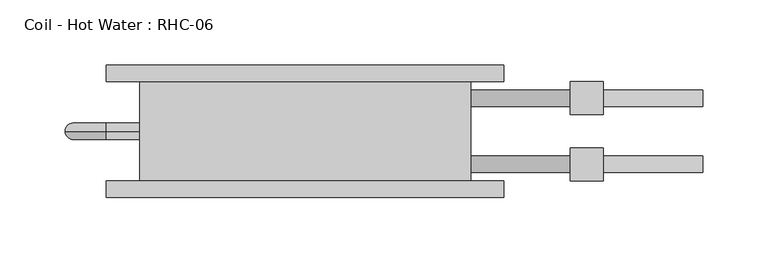
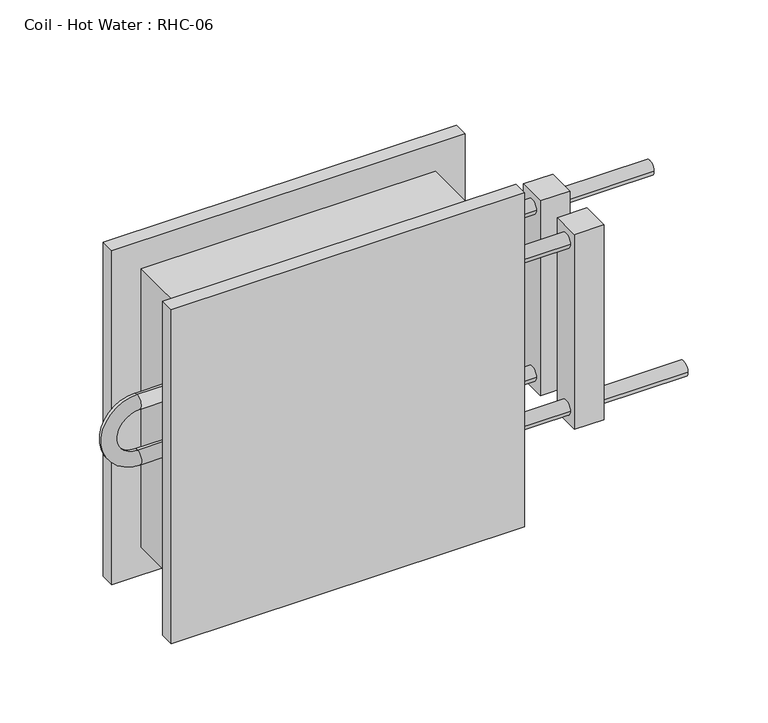
"""IFC4 building model written with IfcOpenShell, lengths in millimetres: proxy geometry, Coil - Hot Water : RHC-06."""

from ifc_helpers import new_model, si_unit, point, frame, origin, place, context, project, spatial, circle_curve, ellipse_curve, trimmed, source, transform, mapped, element, save
from ifc_brep_helpers import plane_surface, cylinder_surface, revolved_surface, advanced_brep


def coil_hot_water_rhc_06_be67949e(model_context):
    return source(origin(), model_context, "Body", "AdvancedBrep", [
        advanced_brep(
        [(-127.0, -76.2, 254.0), (127.0, -76.2, 254.0), (127.0, 0.0, 254.0), (-127.0, 0.0, 254.0), (127.0, -76.2, 0.0), (-127.0, -76.2, 0.0), (-127.0, 0.0, 0.0), (127.0, 0.0, 0.0), (-127.0, -38.1, 171.45), (-127.0, -38.1, 158.75), (-127.0, -38.1, 120.65), (-127.0, -38.1, 107.95), (127.0, -57.15, 203.2), (127.0, -69.85, 203.2), (127.0, -6.35, 50.8), (127.0, -19.05, 50.8), (127.0, -6.35, 203.2), (127.0, -19.05, 203.2), (127.0, -57.15, 50.8), (127.0, -69.85, 50.8), (152.4, -76.2, 279.4), (152.4, -76.2, -25.4), (-152.4, -76.2, -25.4), (-152.4, -76.2, 279.4), (152.4, -88.9, 279.4), (-152.4, -88.9, 279.4), (-152.4, -88.9, -25.4), (152.4, -88.9, -25.4), (304.8, -57.15, 50.8), (304.8, -69.85, 50.8), (304.8, -6.35, 203.2), (304.8, -19.05, 203.2), (228.6, -69.85, 50.8), (228.6, -57.15, 50.8), (228.6, -19.05, 203.2), (228.6, -6.35, 203.2), (152.4, 12.7, 279.4), (152.4, 12.7, -25.4), (-152.4, 12.7, -25.4), (-152.4, 12.7, 279.4), (152.4, 0.0, 279.4), (-152.4, 0.0, 279.4), (-152.4, 0.0, -25.4), (152.4, 0.0, -25.4), (-152.4, -38.1, 158.75), (-152.4, -38.1, 171.45), (-152.4, -38.1, 120.65), (-152.4, -38.1, 107.95), (203.2, -69.85, 203.2), (203.2, -57.15, 203.2), (203.2, -19.05, 50.8), (203.2, -6.35, 50.8), (203.2, -19.05, 203.2), (203.2, -6.35, 203.2), (203.2, -69.85, 50.8), (203.2, -57.15, 50.8), (228.6, -50.8, 215.9), (228.6, -76.2, 215.9), (228.6, -76.2, 38.1), (228.6, -50.8, 38.1), (228.6, 0.0, 215.9), (228.6, -25.4, 215.9), (228.6, -25.4, 38.1), (228.6, 0.0, 38.1), (203.2, -50.8, 215.9), (203.2, -50.8, 38.1), (203.2, -76.2, 38.1), (203.2, -76.2, 215.9), (203.2, 0.0, 215.9), (203.2, 0.0, 38.1), (203.2, -25.4, 38.1), (203.2, -25.4, 215.9)],
        [
            (0, 1),
            (1, 2),
            (2, 3),
            (3, 0),
            (4, 5),
            (5, 6),
            (6, 7),
            (7, 4),
            (3, 6),
            (5, 0),
            (8, 9, circle_curve(frame((-127.0, -38.1, 165.1), z_axis=(1.0, 0.0, 0.0), x_axis=(0.0, 0.0, -1.0)), 6.35)),
            (9, 8, circle_curve(frame((-127.0, -38.1, 165.1), z_axis=(1.0, 0.0, 0.0), x_axis=(0.0, 0.0, -1.0)), 6.35)),
            (10, 11, circle_curve(frame((-127.0, -38.1, 114.3), z_axis=(1.0, 0.0, 0.0), x_axis=(0.0, 0.0, 1.0)), 6.35)),
            (11, 10, circle_curve(frame((-127.0, -38.1, 114.3), z_axis=(1.0, 0.0, 0.0), x_axis=(0.0, 0.0, 1.0)), 6.35)),
            (1, 4),
            (7, 2),
            (12, 13, circle_curve(frame((127.0, -63.5, 203.2), z_axis=(-1.0, 0.0, 0.0), x_axis=(0.0, -1.0, 0.0)), 6.35)),
            (13, 12, circle_curve(frame((127.0, -63.5, 203.2), z_axis=(-1.0, 0.0, 0.0), x_axis=(0.0, -1.0, 0.0)), 6.35)),
            (14, 15, circle_curve(frame((127.0, -12.7, 50.8), z_axis=(-1.0, 0.0, 0.0), x_axis=(0.0, -1.0, 0.0)), 6.35)),
            (15, 14, circle_curve(frame((127.0, -12.7, 50.8), z_axis=(-1.0, 0.0, 0.0), x_axis=(0.0, -1.0, 0.0)), 6.35)),
            (16, 17, circle_curve(frame((127.0, -12.7, 203.2), z_axis=(-1.0, 0.0, 0.0), x_axis=(0.0, -1.0, 0.0)), 6.35)),
            (17, 16, circle_curve(frame((127.0, -12.7, 203.2), z_axis=(-1.0, 0.0, 0.0), x_axis=(0.0, -1.0, 0.0)), 6.35)),
            (18, 19, circle_curve(frame((127.0, -63.5, 50.8), z_axis=(-1.0, 0.0, 0.0), x_axis=(0.0, -1.0, 0.0)), 6.35)),
            (19, 18, circle_curve(frame((127.0, -63.5, 50.8), z_axis=(-1.0, 0.0, 0.0), x_axis=(0.0, -1.0, 0.0)), 6.35)),
            (20, 21),
            (21, 22),
            (22, 23),
            (23, 20),
            (24, 25),
            (25, 26),
            (26, 27),
            (27, 24),
            (23, 25),
            (24, 20),
            (22, 26),
            (21, 27),
            (28, 29, circle_curve(frame((304.8, -63.5, 50.8), z_axis=(1.0, 0.0, 0.0), x_axis=(0.0, -1.0, 0.0)), 6.35)),
            (29, 28, circle_curve(frame((304.8, -63.5, 50.8), z_axis=(1.0, 0.0, 0.0), x_axis=(0.0, -1.0, 0.0)), 6.35)),
            (30, 31, circle_curve(frame((304.8, -12.7, 203.2), z_axis=(1.0, 0.0, 0.0), x_axis=(0.0, -1.0, 0.0)), 6.35)),
            (31, 30, circle_curve(frame((304.8, -12.7, 203.2), z_axis=(1.0, 0.0, 0.0), x_axis=(0.0, -1.0, 0.0)), 6.35)),
            (29, 32),
            (32, 33, circle_curve(frame((228.6, -63.5, 50.8), z_axis=(1.0, 0.0, 0.0), x_axis=(0.0, -1.0, 0.0)), 6.35)),
            (33, 28),
            (33, 32, circle_curve(frame((228.6, -63.5, 50.8), z_axis=(1.0, 0.0, 0.0), x_axis=(0.0, -1.0, 0.0)), 6.35)),
            (31, 34),
            (34, 35, circle_curve(frame((228.6, -12.7, 203.2), z_axis=(1.0, 0.0, 0.0), x_axis=(0.0, -1.0, 0.0)), 6.35)),
            (35, 30),
            (35, 34, circle_curve(frame((228.6, -12.7, 203.2), z_axis=(1.0, 0.0, 0.0), x_axis=(0.0, -1.0, 0.0)), 6.35)),
            (36, 37),
            (37, 38),
            (38, 39),
            (39, 36),
            (40, 41),
            (41, 42),
            (42, 43),
            (43, 40),
            (39, 41),
            (40, 36),
            (38, 42),
            (37, 43),
            (9, 44),
            (44, 45, circle_curve(frame((-152.4, -38.1, 165.1), z_axis=(1.0, 0.0, 0.0), x_axis=(0.0, 0.0, -1.0)), 6.35)),
            (45, 8),
            (45, 44, circle_curve(frame((-152.4, -38.1, 165.1), z_axis=(1.0, 0.0, 0.0), x_axis=(0.0, 0.0, -1.0)), 6.35)),
            (44, 46, circle_curve(frame((-152.4, -38.1, 139.7), z_axis=(0.0, -1.0, 0.0), x_axis=(0.0, 0.0, 1.0)), 19.05)),
            (46, 47, circle_curve(frame((-152.4, -38.1, 114.3), z_axis=(-1.0, 0.0, 0.0), x_axis=(0.0, 0.0, 1.0)), 6.35)),
            (47, 45, circle_curve(frame((-152.4, -38.1, 139.7), z_axis=(0.0, 1.0, 0.0), x_axis=(0.0, 0.0, 1.0)), 31.75)),
            (47, 46, circle_curve(frame((-152.4, -38.1, 114.3), z_axis=(-1.0, 0.0, 0.0), x_axis=(0.0, 0.0, 1.0)), 6.35)),
            (46, 10),
            (11, 47),
            (13, 48),
            (48, 49, circle_curve(frame((203.2, -63.5, 203.2), z_axis=(-1.0, 0.0, 0.0), x_axis=(0.0, -1.0, 0.0)), 6.35)),
            (49, 12),
            (49, 48, circle_curve(frame((203.2, -63.5, 203.2), z_axis=(-1.0, 0.0, 0.0), x_axis=(0.0, -1.0, 0.0)), 6.35)),
            (15, 50),
            (50, 51, circle_curve(frame((203.2, -12.7, 50.8), z_axis=(-1.0, 0.0, 0.0), x_axis=(0.0, -1.0, 0.0)), 6.35)),
            (51, 14),
            (51, 50, circle_curve(frame((203.2, -12.7, 50.8), z_axis=(-1.0, 0.0, 0.0), x_axis=(0.0, -1.0, 0.0)), 6.35)),
            (17, 52),
            (52, 53, circle_curve(frame((203.2, -12.7, 203.2), z_axis=(-1.0, 0.0, 0.0), x_axis=(0.0, -1.0, 0.0)), 6.35)),
            (53, 16),
            (53, 52, circle_curve(frame((203.2, -12.7, 203.2), z_axis=(-1.0, 0.0, 0.0), x_axis=(0.0, -1.0, 0.0)), 6.35)),
            (19, 54),
            (54, 55, circle_curve(frame((203.2, -63.5, 50.8), z_axis=(-1.0, 0.0, 0.0), x_axis=(0.0, -1.0, 0.0)), 6.35)),
            (55, 18),
            (55, 54, circle_curve(frame((203.2, -63.5, 50.8), z_axis=(-1.0, 0.0, 0.0), x_axis=(0.0, -1.0, 0.0)), 6.35)),
            (56, 57),
            (57, 58),
            (58, 59),
            (59, 56),
            (60, 61),
            (61, 62),
            (62, 63),
            (63, 60),
            (64, 65),
            (65, 66),
            (66, 67),
            (67, 64),
            (68, 69),
            (69, 70),
            (70, 71),
            (71, 68),
            (59, 65),
            (64, 56),
            (58, 66),
            (57, 67),
            (63, 69),
            (68, 60),
            (62, 70),
            (61, 71),
        ],
        [
            plane_surface(frame((-127.0, -76.2, 254.0), z_axis=(0.0, 0.0, 1.0), x_axis=(-1.0, 0.0, 0.0))),
            plane_surface(frame((-127.0, -76.2, 0.0), z_axis=(0.0, 0.0, -1.0), x_axis=(1.0, 0.0, 0.0))),
            plane_surface(frame((-127.0, -76.2, 254.0), z_axis=(-1.0, 0.0, 0.0), x_axis=(0.0, 0.0, -1.0))),
            plane_surface(frame((127.0, 0.0, 254.0), z_axis=(1.0, 0.0, 0.0), x_axis=(0.0, 0.0, -1.0))),
            plane_surface(frame((-152.4, -76.2, 279.4), z_axis=(0.0, 1.0, 0.0), x_axis=(-1.0, 0.0, 0.0))),
            plane_surface(frame((-152.4, -88.9, 279.4), z_axis=(0.0, -1.0, 0.0), x_axis=(1.0, 0.0, 0.0))),
            plane_surface(frame((152.4, -76.2, 279.4), z_axis=(0.0, 0.0, 1.0), x_axis=(0.0, -1.0, 0.0))),
            plane_surface(frame((-152.4, -76.2, 279.4), z_axis=(-1.0, 0.0, 0.0), x_axis=(0.0, -1.0, 0.0))),
            plane_surface(frame((-152.4, -76.2, -25.4), z_axis=(0.0, 0.0, -1.0), x_axis=(0.0, -1.0, 0.0))),
            plane_surface(frame((152.4, -76.2, -25.4), z_axis=(1.0, 0.0, 0.0), x_axis=(0.0, -1.0, 0.0))),
            plane_surface(frame((304.8, -69.85, 50.8), z_axis=(1.0, 0.0, 0.0), x_axis=(0.0, 0.0, 1.0))),
            cylinder_surface(frame((228.6, -63.5, 50.8), z_axis=(1.0, 0.0, 0.0), x_axis=(0.0, -1.0, 0.0)), 6.35),
            cylinder_surface(frame((0.0, -12.7, 203.2), z_axis=(1.0, 0.0, 0.0), x_axis=(0.0, -1.0, 0.0)), 6.35),
            plane_surface(frame((-152.4, 12.7, 279.4), z_axis=(0.0, 1.0, 0.0), x_axis=(-1.0, 0.0, 0.0))),
            plane_surface(frame((-152.4, 0.0, 279.4), z_axis=(0.0, -1.0, 0.0), x_axis=(1.0, 0.0, 0.0))),
            plane_surface(frame((152.4, 12.7, 279.4), z_axis=(0.0, 0.0, 1.0), x_axis=(0.0, -1.0, 0.0))),
            plane_surface(frame((-152.4, 12.7, 279.4), z_axis=(-1.0, 0.0, 0.0), x_axis=(0.0, -1.0, 0.0))),
            plane_surface(frame((-152.4, 12.7, -25.4), z_axis=(0.0, 0.0, -1.0), x_axis=(0.0, -1.0, 0.0))),
            plane_surface(frame((152.4, 12.7, -25.4), z_axis=(1.0, 0.0, 0.0), x_axis=(0.0, -1.0, 0.0))),
            cylinder_surface(frame((-127.0, -38.1, 165.1), z_axis=(1.0, 0.0, 0.0), x_axis=(0.0, 0.0, -1.0)), 6.35),
            revolved_surface(trimmed(ellipse_curve(frame((-152.4, -38.1, 165.1), z_axis=(-1.0, 0.0, 0.0), x_axis=(0.0, 0.0, -1.0)), 6.35, 6.35), [point((-152.4, -38.1, 171.45))], [point((-152.4, -38.1, 158.75))], True, "CARTESIAN"), (-152.4, 0.0, 139.7), (0.0, 1.0, 0.0)),
            revolved_surface(trimmed(ellipse_curve(frame((-152.4, -38.1, 165.1), z_axis=(-1.0, 0.0, 0.0), x_axis=(0.0, 0.0, -1.0)), 6.35, 6.35), [point((-152.4, -38.1, 158.75))], [point((-152.4, -38.1, 171.45))], True, "CARTESIAN"), (-152.4, 0.0, 139.7), (0.0, 1.0, 0.0)),
            cylinder_surface(frame((-152.4, -38.1, 114.3), z_axis=(-1.0, 0.0, 0.0), x_axis=(0.0, 0.0, 1.0)), 6.35),
            cylinder_surface(frame((127.0, -63.5, 203.2), z_axis=(-1.0, 0.0, 0.0), x_axis=(0.0, -1.0, 0.0)), 6.35),
            cylinder_surface(frame((127.0, -12.7, 50.8), z_axis=(-1.0, 0.0, 0.0), x_axis=(0.0, -1.0, 0.0)), 6.35),
            cylinder_surface(frame((127.0, -12.7, 203.2), z_axis=(-1.0, 0.0, 0.0), x_axis=(0.0, -1.0, 0.0)), 6.35),
            cylinder_surface(frame((127.0, -63.5, 50.8), z_axis=(-1.0, 0.0, 0.0), x_axis=(0.0, -1.0, 0.0)), 6.35),
            plane_surface(frame((228.6, -50.8, 215.9), z_axis=(1.0, 0.0, 0.0), x_axis=(0.0, 0.0, -1.0))),
            plane_surface(frame((203.2, -50.8, 215.9), z_axis=(-1.0, 0.0, 0.0), x_axis=(0.0, 0.0, 1.0))),
            plane_surface(frame((228.6, -50.8, 215.9), z_axis=(0.0, 1.0, 0.0), x_axis=(-1.0, 0.0, 0.0))),
            plane_surface(frame((228.6, -50.8, 38.1), z_axis=(0.0, 0.0, -1.0), x_axis=(-1.0, 0.0, 0.0))),
            plane_surface(frame((228.6, -76.2, 38.1), z_axis=(0.0, -1.0, 0.0), x_axis=(-1.0, 0.0, 0.0))),
            plane_surface(frame((228.6, -76.2, 215.9), z_axis=(0.0, 0.0, 1.0), x_axis=(-1.0, 0.0, 0.0))),
            plane_surface(frame((228.6, 0.0, 215.9), z_axis=(0.0, 1.0, 0.0), x_axis=(-1.0, 0.0, 0.0))),
            plane_surface(frame((228.6, 0.0, 38.1), z_axis=(0.0, 0.0, -1.0), x_axis=(-1.0, 0.0, 0.0))),
            plane_surface(frame((228.6, -25.4, 38.1), z_axis=(0.0, -1.0, 0.0), x_axis=(-1.0, 0.0, 0.0))),
            plane_surface(frame((228.6, -25.4, 215.9), z_axis=(0.0, 0.0, 1.0), x_axis=(-1.0, 0.0, 0.0))),
        ],
        [
            (0, [[1, 2, 3, 4]]),
            (1, [[5, 6, 7, 8]]),
            (2, [[9, -6, 10, -4], [11, 12], [13, 14]]),
            (3, [[15, -8, 16, -2], [17, 18], [19, 20], [21, 22], [23, 24]]),
            (4, [[25, 26, 27, 28], [-10, -5, -15, -1]]),
            (5, [[29, 30, 31, 32]]),
            (6, [[33, -29, 34, -28]]),
            (7, [[35, -30, -33, -27]]),
            (8, [[36, -31, -35, -26]]),
            (9, [[-34, -32, -36, -25]]),
            (10, [[37, 38]]),
            (10, [[39, 40]]),
            (11, [[41, 42, 43, -38]]),
            (11, [[-43, 44, -41, -37]]),
            (12, [[45, 46, 47, -40]]),
            (12, [[-47, 48, -45, -39]]),
            (13, [[49, 50, 51, 52]]),
            (14, [[53, 54, 55, 56], [-16, -7, -9, -3]]),
            (15, [[57, -53, 58, -52]]),
            (16, [[59, -54, -57, -51]]),
            (17, [[60, -55, -59, -50]]),
            (18, [[-58, -56, -60, -49]]),
            (19, [[-12, 61, 62, 63]]),
            (19, [[64, -61, -11, -63]]),
            (20, [[65, 66, 67, -62]]),
            (21, [[-67, 68, -65, -64]]),
            (22, [[69, -14, 70, -66]]),
            (22, [[-70, -13, -69, -68]]),
            (23, [[-18, 71, 72, 73]]),
            (23, [[74, -71, -17, -73]]),
            (24, [[-20, 75, 76, 77]]),
            (24, [[78, -75, -19, -77]]),
            (25, [[-22, 79, 80, 81]]),
            (25, [[82, -79, -21, -81]]),
            (26, [[-24, 83, 84, 85]]),
            (26, [[86, -83, -23, -85]]),
            (27, [[87, 88, 89, 90], [-44, -42]]),
            (27, [[91, 92, 93, 94], [-48, -46]]),
            (28, [[95, 96, 97, 98], [-74, -72], [-86, -84]]),
            (28, [[99, 100, 101, 102], [-78, -76], [-82, -80]]),
            (29, [[103, -95, 104, -90]]),
            (30, [[105, -96, -103, -89]]),
            (31, [[106, -97, -105, -88]]),
            (32, [[-104, -98, -106, -87]]),
            (33, [[107, -99, 108, -94]]),
            (34, [[109, -100, -107, -93]]),
            (35, [[110, -101, -109, -92]]),
            (36, [[-108, -102, -110, -91]]),
        ],
    ),
    ])


if __name__ == "__main__":
    model = new_model("IFC4")
    model_context = context("Model", 3, world=origin())
    ifc_project = project(units=[si_unit("LENGTHUNIT", "METRE", prefix="MILLI")], contexts=[model_context])
    site = spatial("IfcSite", under=ifc_project)
    building = spatial("IfcBuilding", under=site)
    placement = place(None, origin())
    coil_hot_water_rhc_06_shape = coil_hot_water_rhc_06_be67949e(model_context)
    element("IfcBuildingElementProxy", 1, Name="Coil - Hot Water : RHC-06", ObjectType="Coil - Hot Water : RHC-06", at=placement, inside=building, context=model_context, shape_type="MappedRepresentation", body=[
        mapped(coil_hot_water_rhc_06_shape, transform((0.0, 0.0, 0.0), x_axis=(1.0, 0.0, 0.0), y_axis=(0.0, 1.0, 0.0), z_axis=(0.0, 0.0, 1.0))),
    ])
    save(model, "model.ifc")
